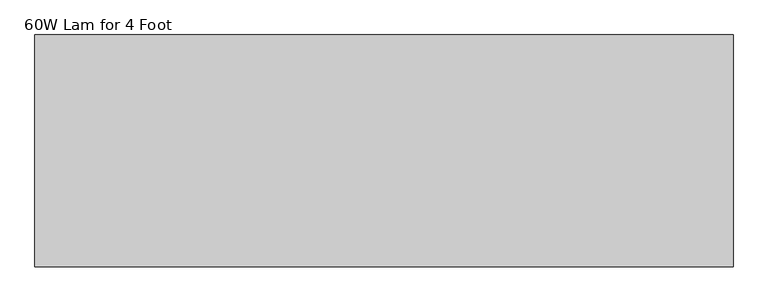
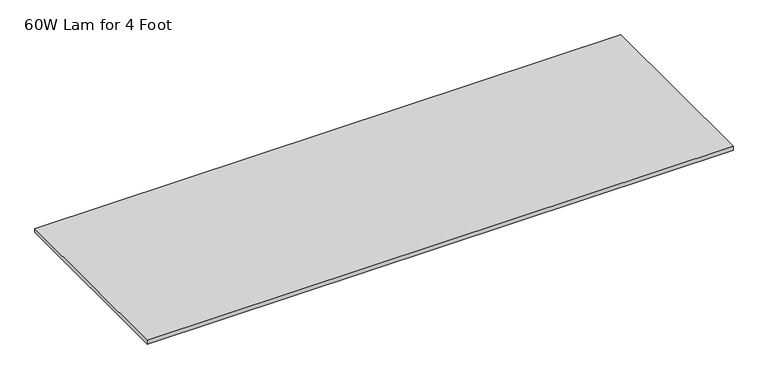
"""IFC4 building model written with IfcOpenShell, lengths in millimetres: furniture geometry, 60W Lam for 4 Foot."""

from ifc_helpers import new_model, si_unit, frame, origin, place, context, project, spatial, polyline, outline, extrude, source, transform, mapped, element, save


def furniture_60w_lam_for_4_foot_f3c94c46(model_context):
    return source(origin(), model_context, "Body", "SweptSolid", [
        extrude(outline(polyline([(760.3998, 187.325), (760.3998, -317.5), (-760.3998, -317.5), (-760.3998, 187.325), (760.3998, 187.325)])), frame((0.0, 0.0, 660.1714), z_axis=(0.0, 0.0, 1.0), x_axis=(1.0, 0.0, 0.0)), (0.0, 0.0, 1.0), 9.779),
    ])


if __name__ == "__main__":
    model = new_model("IFC4")
    model_context = context("Model", 3, world=origin())
    ifc_project = project(units=[si_unit("LENGTHUNIT", "METRE", prefix="MILLI")], contexts=[model_context])
    site = spatial("IfcSite", under=ifc_project)
    building = spatial("IfcBuilding", under=site)
    placement = place(None, origin())
    furniture_60w_lam_for_4_foot_shape = furniture_60w_lam_for_4_foot_f3c94c46(model_context)
    element("IfcFurniture", 1, ObjectType="60W Lam for 4 Foot", at=placement, inside=building, context=model_context, shape_type="MappedRepresentation", body=[
        mapped(furniture_60w_lam_for_4_foot_shape, transform((0.0, 0.0, 0.0), x_axis=(1.0, 0.0, 0.0), y_axis=(0.0, 1.0, 0.0), z_axis=(0.0, 0.0, 1.0))),
    ])
    save(model, "model.ifc")
